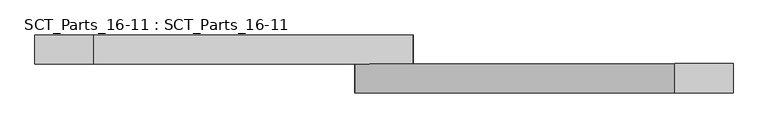
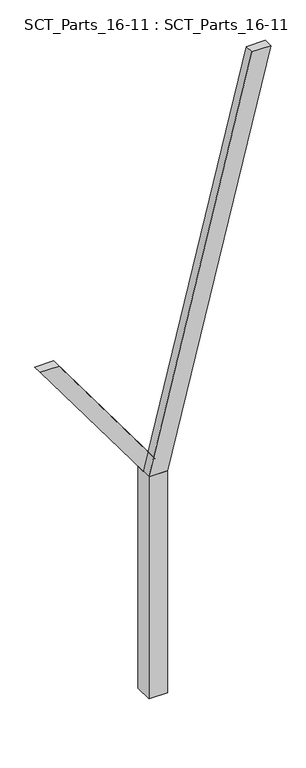
"""IFC4 building model written with IfcOpenShell, lengths in millimetres: proxy geometry, SCT_Parts_16-11 : SCT_Parts_16-11."""

import ifcopenshell
import ifcopenshell.guid

model = None  # the IFC model being written
_history = None  # IfcOwnerHistory: only IFC2X3 demands one
_inside = {}  # id of a spatial element -> (the spatial element, [elements in it])
_under = {}  # id of a project, library or spatial element -> (it, [spatial elements below it])
_declared = {}  # id of a project -> (the project, [libraries it declares])
_typed = {}  # id of a type object -> (the type object, [elements of that type])
_made_of = {}  # id of a material, layer set ... -> (it, [elements and type objects made of it])


def new_model(schema):
    """Start an empty IFC model of exactly this schema.

    Asked for "IFC4X3", IfcOpenShell would pick the latest addendum, in which some entities
    have other attributes; the version numbers below select the first issue.
    IFC2X3 requires an IfcOwnerHistory on every rooted entity: one is made here for all.
    """
    global model, _history
    if schema == "IFC4X3":
        model = ifcopenshell.file(schema_version=(4, 3, 0, 0))
    else:
        model = ifcopenshell.file(schema=schema)
    _inside.clear()
    _under.clear()
    _declared.clear()
    _typed.clear()
    _made_of.clear()
    _history = None
    if model.schema == "IFC2X3":
        org = make("IfcOrganization", Name="unknown")
        user = make(
            "IfcPersonAndOrganization",
            ThePerson=make("IfcPerson", FamilyName="unknown"),
            TheOrganization=org,
        )
        app = make(
            "IfcApplication",
            ApplicationDeveloper=org,
            Version="unknown",
            ApplicationFullName="unknown",
            ApplicationIdentifier="unknown",
        )
        _history = make(
            "IfcOwnerHistory",
            OwningUser=user,
            OwningApplication=app,
            ChangeAction="ADDED",
            CreationDate=0,
        )
    return model


def make(cls, **values):
    """One entity of the class cls with the attributes given. An attribute that is None is left unset."""
    return model.create_entity(
        cls, **{name: value for name, value in values.items() if value is not None}
    )


def rooted(cls, **values):
    """An entity with a GlobalId (a new one), such as an element, a storey or a relation."""
    return make(cls, GlobalId=ifcopenshell.guid.new(), OwnerHistory=_history, **values)


def si_unit(unit_type, name, prefix=None):
    """IfcSIUnit, for example si_unit("LENGTHUNIT", "METRE", prefix="MILLI")."""
    return make("IfcSIUnit", UnitType=unit_type, Prefix=prefix, Name=name)


def assignment(units):
    """IfcUnitAssignment: the units of a project."""
    return None if units is None else make("IfcUnitAssignment", Units=units)


def point(xyz):
    """IfcCartesianPoint."""
    return None if xyz is None else make("IfcCartesianPoint", Coordinates=xyz)


def direction(xyz):
    """IfcDirection."""
    return None if xyz is None else make("IfcDirection", DirectionRatios=xyz)


def frame(location, z_axis=None, x_axis=None):
    """IfcAxis2Placement3D, a coordinate frame: its origin and axes. An axis left out is left unset."""
    return make(
        "IfcAxis2Placement3D",
        Location=point(location),
        Axis=direction(z_axis),
        RefDirection=direction(x_axis),
    )


def origin():
    """The frame at (0, 0, 0) with its axes left unset."""
    return frame((0.0, 0.0, 0.0))


def origin_with_axes():
    """The frame at (0, 0, 0) with the z axis (0, 0, 1) and the x axis (1, 0, 0) written out."""
    return frame((0.0, 0.0, 0.0), z_axis=(0.0, 0.0, 1.0), x_axis=(1.0, 0.0, 0.0))


def place(relative_to, where):
    """IfcLocalPlacement: puts the frame where relative to a parent placement (None: the world)."""
    return make(
        "IfcLocalPlacement", PlacementRelTo=relative_to, RelativePlacement=where
    )


def context(
    kind, dimensions, precision=None, world=None, true_north=None, identifier=None
):
    """IfcGeometricRepresentationContext, for example the 3D "Model" context."""
    return make(
        "IfcGeometricRepresentationContext",
        ContextIdentifier=identifier,
        ContextType=kind,
        CoordinateSpaceDimension=dimensions,
        Precision=precision,
        WorldCoordinateSystem=world,
        TrueNorth=true_north,
    )


def project(units=None, contexts=None):
    """IfcProject with its units and contexts."""
    return rooted(
        "IfcProject",
        Name="project",
        RepresentationContexts=contexts,
        UnitsInContext=assignment(units),
    )


def spatial(cls, under=None, at=None, **own):
    """A site, building, storey or space (cls), placed at a placement, below another one or the project."""
    s = rooted(cls, ObjectPlacement=at, **own)
    if under is not None:
        _under.setdefault(under.id(), (under, []))[1].append(s)
    return s


def polyline(points):
    """IfcPolyline through the points."""
    return make("IfcPolyline", Points=[point(p) for p in points])


def outline(outer, holes=None, kind="AREA"):
    """IfcArbitraryClosedProfileDef: a profile drawn as a closed curve; with holes, ...WithVoids."""
    if holes is None:
        return make("IfcArbitraryClosedProfileDef", ProfileType=kind, OuterCurve=outer)
    return make(
        "IfcArbitraryProfileDefWithVoids",
        ProfileType=kind,
        OuterCurve=outer,
        InnerCurves=holes,
    )


def extrude(swept, where, along, depth):
    """IfcExtrudedAreaSolid: the profile swept, set in the frame where, extruded along a direction by depth."""
    return make(
        "IfcExtrudedAreaSolid",
        SweptArea=swept,
        Position=where,
        ExtrudedDirection=direction(along),
        Depth=depth,
    )


def shape(context_of_items, identifier, shape_type, items):
    """IfcShapeRepresentation: the items that make up one representation, for example the "Body"."""
    return make(
        "IfcShapeRepresentation",
        ContextOfItems=context_of_items,
        RepresentationIdentifier=identifier,
        RepresentationType=shape_type,
        Items=items,
    )


def source(mapping_origin, context_of_items, identifier, shape_type, items):
    """IfcRepresentationMap: a shape defined once, which mapped items show again and again."""
    return make(
        "IfcRepresentationMap",
        MappingOrigin=mapping_origin,
        MappedRepresentation=shape(context_of_items, identifier, shape_type, items),
    )


def transform(
    local_origin,
    x_axis=None,
    y_axis=None,
    z_axis=None,
    scale=None,
    scale2=None,
    scale3=None,
    uniform=True,
):
    """IfcCartesianTransformationOperator3D, or its non-uniform kind. x_axis, y_axis, z_axis: its Axis1, 2, 3."""
    if uniform:
        return make(
            "IfcCartesianTransformationOperator3D",
            Axis1=direction(x_axis),
            Axis2=direction(y_axis),
            LocalOrigin=point(local_origin),
            Scale=scale,
            Axis3=direction(z_axis),
        )
    return make(
        "IfcCartesianTransformationOperator3DnonUniform",
        Axis1=direction(x_axis),
        Axis2=direction(y_axis),
        LocalOrigin=point(local_origin),
        Scale=scale,
        Axis3=direction(z_axis),
        Scale2=scale2,
        Scale3=scale3,
    )


def mapped(mapping_source, mapping_target):
    """IfcMappedItem: shows the shape of a source again, moved by a transform."""
    return make(
        "IfcMappedItem", MappingSource=mapping_source, MappingTarget=mapping_target
    )


def made_of(thing, what):
    """Note that an element or type object is made of a material, layer set ...; save() writes the relation."""
    if what is not None:
        _made_of.setdefault(what.id(), (what, []))[1].append(thing)
    return thing


def element(
    cls,
    number,
    at=None,
    inside=None,
    cuts=None,
    type_object=None,
    material=None,
    context=None,
    identifier="Body",
    shape_type=None,
    held_by="IfcProductDefinitionShape",
    body=None,
    shapes=None,
    **own,
):
    """One element of the class cls, such as IfcWall. Its Tag is "e" and its number.

    at: its placement. inside: the storey or other place that contains it. cuts: it is an
    opening in that element (IfcRelVoidsElement). A single representation is given by context,
    identifier, shape_type and body (its items); several are given by shapes. held_by: the class
    of the entity that holds the representations. save() writes the other relations.
    """
    e = rooted(cls, Tag="e%d" % number, ObjectPlacement=at, **own)
    if body is not None:
        shapes = [shape(context, identifier, shape_type, body)]
    if shapes is not None:
        e.Representation = make(held_by, Representations=shapes)
    if inside is not None:
        _inside.setdefault(inside.id(), (inside, []))[1].append(e)
    if cuts is not None:
        rooted(
            "IfcRelVoidsElement", RelatingBuildingElement=cuts, RelatedOpeningElement=e
        )
    if type_object is not None:
        _typed.setdefault(type_object.id(), (type_object, []))[1].append(e)
    return made_of(e, material)


def aggregate(whole, parts):
    """IfcRelAggregates: a whole, such as a stair, and the parts it consists of."""
    return rooted("IfcRelAggregates", RelatingObject=whole, RelatedObjects=parts)


def save(model, path):
    """Write the relations noted so far, then the file.

    IfcRelAggregates (storeys below a building ...), IfcRelContainedInSpatialStructure (elements
    in a storey), IfcRelDefinesByType, IfcRelAssociatesMaterial and IfcRelDeclares: one each for
    every whole, place, type object, material and project.
    """
    for whole, parts in _under.values():
        aggregate(whole, parts)
    for where, things in _inside.values():
        rooted(
            "IfcRelContainedInSpatialStructure",
            RelatedElements=things,
            RelatingStructure=where,
        )
    for kind, things in _typed.values():
        rooted("IfcRelDefinesByType", RelatedObjects=things, RelatingType=kind)
    for what, things in _made_of.values():
        rooted("IfcRelAssociatesMaterial", RelatedObjects=things, RelatingMaterial=what)
    for by, libraries in _declared.values():
        rooted("IfcRelDeclares", RelatingContext=by, RelatedDefinitions=libraries)
    model.write(path)


def sct_parts_16_11_sct_parts_16_11_f1e33a53(model_context):
    return source(origin(), model_context, "Body", "SweptSolid", [
        extrude(outline(polyline([(2500.0, 200.0), (6900.0, 1300.0), (6900.0, 1100.0), (2500.0, 0.0), (2500.0, 200.0)])), frame((0.0, -200.0, 0.0), z_axis=(0.0, 1.0, 0.0), x_axis=(0.0, 0.0, 1.0)), (0.0, 0.0, 1.0), 100.0),
        extrude(outline(polyline([(2500.0, 0.0), (2500.0, 200.0), (4000.0, -900.0), (4000.0, -1100.0), (2500.0, 0.0)])), frame((0.0, -100.0, 0.0), z_axis=(0.0, 1.0, 0.0), x_axis=(0.0, 0.0, 1.0)), (0.0, 0.0, 1.0), 100.0),
        extrude(outline(polyline([(200.0, -200.0), (0.0, -200.0), (0.0, 0.0), (200.0, 0.0), (200.0, -200.0)])), origin_with_axes(), (0.0, 0.0, 1.0), 2500.0),
    ])


if __name__ == "__main__":
    model = new_model("IFC4")
    model_context = context("Model", 3, world=origin())
    ifc_project = project(units=[si_unit("LENGTHUNIT", "METRE", prefix="MILLI")], contexts=[model_context])
    site = spatial("IfcSite", under=ifc_project)
    building = spatial("IfcBuilding", under=site)
    placement = place(None, origin())
    sct_parts_16_11_sct_parts_16_11_shape = sct_parts_16_11_sct_parts_16_11_f1e33a53(model_context)
    element("IfcBuildingElementProxy", 1, Name="SCT_Parts_16-11 : SCT_Parts_16-11", ObjectType="SCT_Parts_16-11 : SCT_Parts_16-11", at=placement, inside=building, context=model_context, shape_type="MappedRepresentation", body=[
        mapped(sct_parts_16_11_sct_parts_16_11_shape, transform((0.0, 0.0, 0.0), x_axis=(1.0, 0.0, 0.0), y_axis=(0.0, 1.0, 0.0), z_axis=(0.0, 0.0, 1.0))),
    ])
    save(model, "model.ifc")
